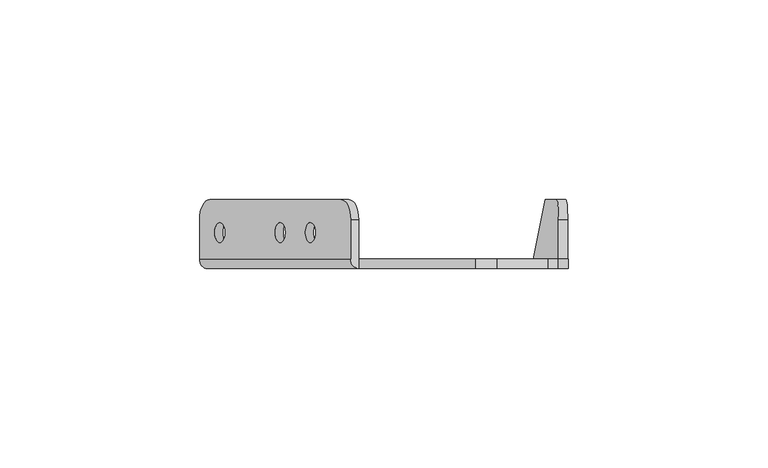
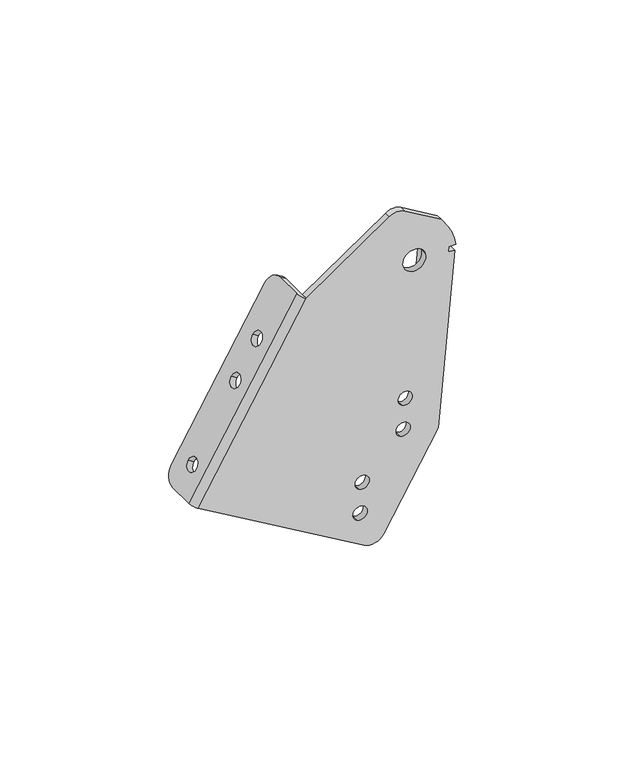
"""IFC4 building model written with IfcOpenShell, lengths in millimetres: proxy geometry."""

from ifc_helpers import new_model, si_unit, frame, origin, place, context, project, spatial, polyline, circle_curve, source, transform, mapped, element, save
from ifc_brep_helpers import plane_surface, cylinder_surface, revolved_surface, advanced_brep


def mechanical_equipment_c26be3b7(model_context):
    return source(origin(), model_context, "Body", "AdvancedBrep", [
        advanced_brep(
        [(-98.5404797, 11.2499985, -88.1254295), (-96.0178415, 16.2499985, -83.8084518), (-63.223546, 16.2499985, -27.687741), (-60.7009079, 11.2499985, -23.3707632), (-60.7009079, 1.2499985, -23.3707632), (-98.5404797, 1.2499985, -88.1254295), (-93.4952034, 10.4499985, -79.491474), (-93.4952034, 5.4499985, -79.491474), (-78.3593747, 10.4499985, -53.5896075), (-78.3593747, 5.4499985, -53.5896075), (-70.7914603, 10.4499985, -40.6386743), (-70.7914603, 5.4499985, -40.6386743), (-62.6867176, 11.2499985, -22.2103497), (-65.2093558, 16.2499985, -26.5273275), (-98.0036513, 16.2499985, -82.6480382), (-100.5262894, 11.2499985, -86.965016), (-100.5262894, 1.2499985, -86.965016), (-62.6867176, 1.2499985, -22.2103497), (-95.4810132, 10.4499985, -78.3310605), (-95.4810132, 5.4499985, -78.3310605), (-80.3451845, 10.4499985, -52.429194), (-80.3451845, 5.4499985, -52.429194), (-72.7772701, 10.4499985, -39.4782607), (-72.7772701, 5.4499985, -39.4782607), (-26.0461963, -1.0500015, -3.0837225), (-31.3964034, -1.0500015, -3.2770061), (-60.7009079, -1.0500015, -23.3707632), (-98.5404797, -1.0500015, -88.1254295), (-40.26128, -1.0500015, -122.1810441), (-33.4216641, -1.0500015, -120.3867045), (-14.2643461, -1.0500015, -87.6028839), (-8.3437619, -1.0500015, -23.7809233), (-10.6339287, -1.0500015, -23.568471), (-10.4667409, -1.0500015, -21.7662419), (-8.1445975, -1.0500015, -21.633997), (-10.7000525, -1.0500015, -14.2038754), (-13.2035579, -1.0500015, -10.5883544), (-18.7520701, -1.0500015, -21.4433967), (-26.4902121, -1.0500015, -23.4734603), (-42.9527894, -1.0500015, -111.9216203), (-40.4301513, -1.0500015, -107.6046426), (-42.224491, -1.0500015, -100.7650267), (-39.7018528, -1.0500015, -96.448049), (-27.8169607, -1.0500015, -86.0197538), (-25.2943226, -1.0500015, -81.7027761), (-27.0886622, -1.0500015, -74.8631602), (-24.5660241, -1.0500015, -70.5461824), (-40.26128, 1.2499985, -122.1810441), (-26.0461963, 1.2499985, -3.0837225), (-13.2035579, 1.2499985, -10.5883544), (-10.7000525, 1.2499985, -14.2038754), (-8.1445975, 1.2499985, -21.633997), (-10.4667409, 1.2499985, -21.7662419), (-10.6339287, 1.2499985, -23.568471), (-16.9599356, 1.2499985, -91.7607555), (-17.0101185, 1.2499985, -92.3017101), (-33.4216641, 1.2499985, -120.3867045), (-31.3964034, 1.2499985, -3.2770061), (-18.7520701, 1.2499985, -21.4433967), (-26.4902121, 1.2499985, -23.4734603), (-42.9527894, 1.2499985, -111.9216203), (-40.4301513, 1.2499985, -107.6046426), (-42.224491, 1.2499985, -100.7650267), (-39.7018528, 1.2499985, -96.448049), (-27.8169607, 1.2499985, -86.0197538), (-25.2943226, 1.2499985, -81.7027761), (-27.0886622, 1.2499985, -74.8631602), (-24.5660241, 1.2499985, -70.5461824), (-17.0101185, 0.9966641, -92.3017101), (-14.2643461, 3.2966641, -87.6028839), (-11.6984284, 16.2499985, -59.9431302), (-8.8056148, 16.2499985, -28.7595468), (-8.3437619, 11.2499985, -23.7809233), (-10.6339287, 11.2499985, -23.568471), (-11.0957816, 16.2499985, -28.5470944), (-13.9885952, 16.2499985, -59.7306779)],
        [
            (0, 1, circle_curve(frame((-96.0178415, 11.2499985, -83.8084518), z_axis=(0.8633955506067713, 0.0, -0.5045276238150199), x_axis=(0.0, -1.0, 0.0)), 5.0)),
            (1, 2),
            (2, 3, circle_curve(frame((-63.223546, 11.2499985, -27.687741), z_axis=(0.8633955506067713, 0.0, -0.5045276238150199), x_axis=(0.0, -1.0, 0.0)), 5.0)),
            (3, 4),
            (4, 5),
            (5, 0),
            (6, 7, circle_curve(frame((-93.4952034, 7.9499985, -79.491474), z_axis=(-0.8633955506067713, 0.0, 0.5045276238150199), x_axis=(0.0, -1.0, 0.0)), 2.5)),
            (7, 6, circle_curve(frame((-93.4952034, 7.9499985, -79.491474), z_axis=(-0.8633955506067713, 0.0, 0.5045276238150199), x_axis=(0.0, -1.0, 0.0)), 2.5)),
            (8, 9, circle_curve(frame((-78.3593747, 7.9499985, -53.5896075), z_axis=(-0.8633955506067713, 0.0, 0.5045276238150199), x_axis=(0.0, -1.0, 0.0)), 2.5)),
            (9, 8, circle_curve(frame((-78.3593747, 7.9499985, -53.5896075), z_axis=(-0.8633955506067713, 0.0, 0.5045276238150199), x_axis=(0.0, -1.0, 0.0)), 2.5)),
            (10, 11, circle_curve(frame((-70.7914603, 7.9499985, -40.6386743), z_axis=(-0.8633955506067713, 0.0, 0.5045276238150199), x_axis=(0.0, -1.0, 0.0)), 2.5)),
            (11, 10, circle_curve(frame((-70.7914603, 7.9499985, -40.6386743), z_axis=(-0.8633955506067713, 0.0, 0.5045276238150199), x_axis=(0.0, -1.0, 0.0)), 2.5)),
            (12, 13, circle_curve(frame((-65.2093558, 11.2499985, -26.5273275), z_axis=(-0.8633955506067713, 0.0, 0.5045276238150199), x_axis=(0.0, -1.0, 0.0)), 5.0)),
            (13, 14),
            (14, 15, circle_curve(frame((-98.0036513, 11.2499985, -82.6480382), z_axis=(-0.8633955506067713, 0.0, 0.5045276238150199), x_axis=(0.0, -1.0, 0.0)), 5.0)),
            (15, 16),
            (16, 17),
            (17, 12),
            (18, 19, circle_curve(frame((-95.4810132, 7.9499985, -78.3310605), z_axis=(0.8633955506067713, 0.0, -0.5045276238150199), x_axis=(0.0, -1.0, 0.0)), 2.5)),
            (19, 18, circle_curve(frame((-95.4810132, 7.9499985, -78.3310605), z_axis=(0.8633955506067713, 0.0, -0.5045276238150199), x_axis=(0.0, -1.0, 0.0)), 2.5)),
            (20, 21, circle_curve(frame((-80.3451845, 7.9499985, -52.429194), z_axis=(0.8633955506067713, 0.0, -0.5045276238150199), x_axis=(0.0, -1.0, 0.0)), 2.5)),
            (21, 20, circle_curve(frame((-80.3451845, 7.9499985, -52.429194), z_axis=(0.8633955506067713, 0.0, -0.5045276238150199), x_axis=(0.0, -1.0, 0.0)), 2.5)),
            (22, 23, circle_curve(frame((-72.7772701, 7.9499985, -39.4782607), z_axis=(0.8633955506067713, 0.0, -0.5045276238150199), x_axis=(0.0, -1.0, 0.0)), 2.5)),
            (23, 22, circle_curve(frame((-72.7772701, 7.9499985, -39.4782607), z_axis=(0.8633955506067713, 0.0, -0.5045276238150199), x_axis=(0.0, -1.0, 0.0)), 2.5)),
            (24, 25, circle_curve(frame((-28.5688344, -1.0500015, -7.4007002), z_axis=(0.0, -1.0, 0.0), x_axis=(0.5045276238150216, 0.0, 0.8633955506067703)), 5.0)),
            (25, 26),
            (26, 27),
            (27, 28),
            (28, 29, circle_curve(frame((-37.7386419, -1.0500015, -117.8640664), z_axis=(0.0, -1.0, 0.0), x_axis=(0.5045276238150216, 0.0, 0.8633955506067703)), 5.0)),
            (29, 30),
            (30, 31),
            (31, 32),
            (32, 33),
            (33, 34),
            (34, 35, circle_curve(frame((-22.6211411, -1.0500015, -22.4584285), z_axis=(0.0, -1.0, 0.0), x_axis=(0.9672677527758777, 0.0, 0.2537579445848028)), 14.5)),
            (35, 36),
            (36, 24),
            (37, 38, circle_curve(frame((-22.6211411, -1.0500015, -22.4584285), z_axis=(0.0, 1.0, 0.0), x_axis=(0.9672677527758777, 0.0, 0.2537579445848028)), 4.0)),
            (38, 37, circle_curve(frame((-22.6211411, -1.0500015, -22.4584285), z_axis=(0.0, 1.0, 0.0), x_axis=(0.9672677527758777, 0.0, 0.2537579445848028)), 4.0)),
            (39, 40, circle_curve(frame((-41.6914704, -1.0500015, -109.7631315), z_axis=(0.0, 1.0, 0.0), x_axis=(0.5045276238150216, 0.0, 0.8633955506067703)), 2.5)),
            (40, 39, circle_curve(frame((-41.6914704, -1.0500015, -109.7631315), z_axis=(0.0, 1.0, 0.0), x_axis=(0.5045276238150216, 0.0, 0.8633955506067703)), 2.5)),
            (41, 42, circle_curve(frame((-40.9631719, -1.0500015, -98.6065378), z_axis=(0.0, 1.0, 0.0), x_axis=(0.5045276238150216, 0.0, 0.8633955506067703)), 2.5)),
            (42, 41, circle_curve(frame((-40.9631719, -1.0500015, -98.6065378), z_axis=(0.0, 1.0, 0.0), x_axis=(0.5045276238150216, 0.0, 0.8633955506067703)), 2.5)),
            (43, 44, circle_curve(frame((-26.5556417, -1.0500015, -83.8612649), z_axis=(0.0, 1.0, 0.0), x_axis=(0.5045276238150216, 0.0, 0.8633955506067703)), 2.5)),
            (44, 43, circle_curve(frame((-26.5556417, -1.0500015, -83.8612649), z_axis=(0.0, 1.0, 0.0), x_axis=(0.5045276238150216, 0.0, 0.8633955506067703)), 2.5)),
            (45, 46, circle_curve(frame((-25.8273432, -1.0500015, -72.7046713), z_axis=(0.0, 1.0, 0.0), x_axis=(0.5045276238150216, 0.0, 0.8633955506067703)), 2.5)),
            (46, 45, circle_curve(frame((-25.8273432, -1.0500015, -72.7046713), z_axis=(0.0, 1.0, 0.0), x_axis=(0.5045276238150216, 0.0, 0.8633955506067703)), 2.5)),
            (15, 0),
            (5, 47),
            (47, 28),
            (27, 16, circle_curve(frame((-98.5404797, 1.2499985, -88.1254295), z_axis=(-0.5045276238150199, 0.0, -0.8633955506067713), x_axis=(0.8633955506067713, 0.0, -0.5045276238150199)), 2.3)),
            (14, 1),
            (13, 2),
            (12, 3),
            (17, 26, circle_curve(frame((-60.7009079, 1.2499985, -23.3707632), z_axis=(0.5045276238150199, 0.0, 0.8633955506067713), x_axis=(0.8633955506067713, 0.0, -0.5045276238150199)), 2.3)),
            (26, 4),
            (6, 18),
            (19, 7),
            (8, 20),
            (21, 9),
            (10, 22),
            (23, 11),
            (48, 49),
            (49, 50),
            (50, 51, circle_curve(frame((-22.6211411, 1.2499985, -22.4584285), z_axis=(0.0, 1.0, 0.0), x_axis=(0.9672677527758777, 0.0, 0.2537579445848028)), 14.5)),
            (51, 52),
            (52, 53),
            (53, 54),
            (54, 55),
            (55, 56),
            (56, 47, circle_curve(frame((-37.7386419, 1.2499985, -117.8640664), z_axis=(0.0, 1.0, 0.0), x_axis=(0.5045276238150216, 0.0, 0.8633955506067703)), 5.0)),
            (4, 57),
            (57, 48, circle_curve(frame((-28.5688344, 1.2499985, -7.4007002), z_axis=(0.0, 1.0, 0.0), x_axis=(0.5045276238150216, 0.0, 0.8633955506067703)), 5.0)),
            (58, 59, circle_curve(frame((-22.6211411, 1.2499985, -22.4584285), z_axis=(0.0, -1.0, 0.0), x_axis=(0.9672677527758777, 0.0, 0.2537579445848028)), 4.0)),
            (59, 58, circle_curve(frame((-22.6211411, 1.2499985, -22.4584285), z_axis=(0.0, -1.0, 0.0), x_axis=(0.9672677527758777, 0.0, 0.2537579445848028)), 4.0)),
            (60, 61, circle_curve(frame((-41.6914704, 1.2499985, -109.7631315), z_axis=(0.0, -1.0, 0.0), x_axis=(0.5045276238150216, 0.0, 0.8633955506067703)), 2.5)),
            (61, 60, circle_curve(frame((-41.6914704, 1.2499985, -109.7631315), z_axis=(0.0, -1.0, 0.0), x_axis=(0.5045276238150216, 0.0, 0.8633955506067703)), 2.5)),
            (62, 63, circle_curve(frame((-40.9631719, 1.2499985, -98.6065378), z_axis=(0.0, -1.0, 0.0), x_axis=(0.5045276238150216, 0.0, 0.8633955506067703)), 2.5)),
            (63, 62, circle_curve(frame((-40.9631719, 1.2499985, -98.6065378), z_axis=(0.0, -1.0, 0.0), x_axis=(0.5045276238150216, 0.0, 0.8633955506067703)), 2.5)),
            (64, 65, circle_curve(frame((-26.5556417, 1.2499985, -83.8612649), z_axis=(0.0, -1.0, 0.0), x_axis=(0.5045276238150216, 0.0, 0.8633955506067703)), 2.5)),
            (65, 64, circle_curve(frame((-26.5556417, 1.2499985, -83.8612649), z_axis=(0.0, -1.0, 0.0), x_axis=(0.5045276238150216, 0.0, 0.8633955506067703)), 2.5)),
            (66, 67, circle_curve(frame((-25.8273432, 1.2499985, -72.7046713), z_axis=(0.0, -1.0, 0.0), x_axis=(0.5045276238150216, 0.0, 0.8633955506067703)), 2.5)),
            (67, 66, circle_curve(frame((-25.8273432, 1.2499985, -72.7046713), z_axis=(0.0, -1.0, 0.0), x_axis=(0.5045276238150216, 0.0, 0.8633955506067703)), 2.5)),
            (37, 58),
            (59, 38),
            (24, 48),
            (57, 25),
            (56, 29),
            (55, 68),
            (68, 69),
            (69, 30),
            (33, 52),
            (51, 34),
            (50, 35),
            (49, 36),
            (39, 60),
            (61, 40),
            (41, 62),
            (63, 42),
            (43, 64),
            (65, 44),
            (45, 66),
            (67, 46),
            (54, 68),
            (32, 53),
            (70, 71),
            (71, 72, circle_curve(frame((-8.8056148, 11.2499985, -28.7595468), z_axis=(0.9957246981845822, 0.0, -0.09237058744656096), x_axis=(-0.03903749710276025, 0.9063077870360066, -0.42081144112042457)), 5.0)),
            (72, 31),
            (69, 70),
            (73, 74, circle_curve(frame((-11.0957816, 11.2499985, -28.5470944), z_axis=(-0.9957246981845822, 0.0, 0.09237058744656096), x_axis=(-0.03903749710276025, 0.9063077870360066, -0.42081144112042457)), 5.0)),
            (74, 75),
            (75, 54),
            (53, 73),
            (75, 70),
            (74, 71),
            (73, 72),
        ],
        [
            plane_surface(frame((-43.042441, -1.0500015, 6.848081), z_axis=(0.8633955506067713, 0.0, -0.5045276238150199), x_axis=(-0.5045276238150199, 0.0, -0.8633955506067713))),
            plane_surface(frame((-45.0282508, -1.0500015, 8.0084946), z_axis=(-0.8633955506067713, 0.0, 0.5045276238150199), x_axis=(0.5045276238150199, 0.0, 0.8633955506067713))),
            plane_surface(frame((-60.7009079, -1.0500015, -23.3707632), z_axis=(0.0, -1.0, 0.0), x_axis=(-0.8633955506067713, 0.0, 0.5045276238150199))),
            plane_surface(frame((-98.5404797, -1.0500015, -88.1254295), z_axis=(-0.5045276238150199, 0.0, -0.8633955506067713), x_axis=(-0.8633955506067713, 0.0, 0.5045276238150199))),
            cylinder_surface(frame((-98.0036513, 11.2499985, -82.6480382), z_axis=(0.8633955506067713, 0.0, -0.5045276238150199), x_axis=(0.0, -1.0, 0.0)), 5.0),
            plane_surface(frame((-96.0178415, 16.2499985, -83.8084518), z_axis=(0.0, 1.0, 0.0), x_axis=(-0.8633955506067713, 0.0, 0.5045276238150199))),
            cylinder_surface(frame((-65.2093558, 11.2499985, -26.5273275), z_axis=(0.8633955506067713, 0.0, -0.5045276238150199), x_axis=(0.0, -1.0, 0.0)), 5.0),
            plane_surface(frame((-60.7009079, 11.2499985, -23.3707632), z_axis=(0.5045276238150199, 0.0, 0.8633955506067713), x_axis=(-0.8633955506067713, 0.0, 0.5045276238150199))),
            revolved_surface(polyline([(-95.48101318628497, 5.4499985, -78.33106047652953), (-93.49520340998694, 5.4499985, -79.49147401709061)]), (-65.434848, 7.9499985, -95.8886218), (-0.8633955506067713, 0.0, 0.5045276238150199)),
            revolved_surface(polyline([(-80.34518448628496, 5.4499985, -52.42919397652953), (-78.35937470998695, 5.4499985, -53.589607517090606)]), (-50.2990193, 7.9499985, -69.9867553), (-0.8633955506067713, 0.0, 0.5045276238150199)),
            revolved_surface(polyline([(-72.77727011173978, 5.4499985, -39.47826072009023), (-70.79146029188107, 5.4499985, -40.63867428610612)]), (-42.731105, 7.9499985, -57.035822), (-0.8633955506067713, 0.0, 0.5045276238150199)),
            plane_surface(frame((-18.7520701, 1.2499985, -21.4433967), z_axis=(0.0, 1.0000000000000002, 0.0), x_axis=(-0.2537579445848028, 0.0, 0.9672677527758776))),
            revolved_surface(polyline([(-18.752070088896488, 1.2499985, -21.44339672166079), (-18.752070088896488, -1.0500014999999998, -21.44339672166079)]), (-22.6211411, 1.2499985, -22.4584285), (0.0, 1.0, 0.0)),
            cylinder_surface(frame((-28.5688344, 1.2499985, -7.4007002), z_axis=(0.0, -1.0, 0.0), x_axis=(0.5045276238150216, 0.0, 0.8633955506067703)), 5.0),
            cylinder_surface(frame((-37.7386419, 1.2499985, -117.8640664), z_axis=(0.0, -1.0, 0.0), x_axis=(0.5045276238150216, 0.0, 0.8633955506067703)), 5.0),
            plane_surface(frame((-33.4216641, -1.0500015, -120.3867045), z_axis=(0.8633955506067633, 0.0, -0.5045276238150336), x_axis=(0.0, 1.0, 0.0))),
            plane_surface(frame((-10.4667409, -1.0500015, -21.7662419), z_axis=(0.056857342624427154, 0.0, -0.9983823128389688), x_axis=(0.0, 1.0, 0.0))),
            cylinder_surface(frame((-22.6211411, 1.2499985, -22.4584285), z_axis=(0.0, -1.0, 0.0), x_axis=(0.9672677527758777, 0.0, 0.2537579445848028)), 14.5),
            plane_surface(frame((-10.7000525, -1.0500015, -14.2038754), z_axis=(0.8221440410308071, 0.0, 0.569279523430744), x_axis=(0.0, 1.0, 0.0))),
            plane_surface(frame((-13.2035579, -1.0500015, -10.5883544), z_axis=(0.5045276238150175, 0.0, 0.8633955506067728), x_axis=(0.0, 1.0, 0.0))),
            revolved_surface(polyline([(-40.430151340462444, 1.2499985, -107.60464262348307), (-40.430151340462444, -1.0500014999999998, -107.60464262348307)]), (-41.6914704, 1.2499985, -109.7631315), (0.0, 1.0, 0.0)),
            revolved_surface(polyline([(-39.70185284046244, 1.2499985, -96.44804892348307), (-39.70185284046244, -1.0500014999999998, -96.44804892348307)]), (-40.9631719, 1.2499985, -98.6065378), (0.0, 1.0, 0.0)),
            revolved_surface(polyline([(-25.294322640462447, 1.2499985, -81.70277602348307), (-25.294322640462447, -1.0500014999999998, -81.70277602348307)]), (-26.5556417, 1.2499985, -83.8612649), (0.0, 1.0, 0.0)),
            revolved_surface(polyline([(-24.566024140462446, 1.2499985, -70.54618242348307), (-24.566024140462446, -1.0500014999999998, -70.54618242348307)]), (-25.8273432, 1.2499985, -72.7046713), (0.0, 1.0, 0.0)),
            plane_surface(frame((-17.0101185, -1.0500015, -92.3017101), z_axis=(0.9957246981845822, 0.0, -0.09237058744656107), x_axis=(0.0, 1.0, 0.0))),
            plane_surface(frame((-31.3964034, -1.0500015, -3.2770061), z_axis=(-0.5655138037510832, 0.0, 0.8247388300346852), x_axis=(0.0, 1.0, 0.0))),
            plane_surface(frame((-14.6697688, -1.0500015, -91.9732078), z_axis=(0.9957246981845822, 0.0, -0.0923705874465609), x_axis=(-0.0923705874465609, 0.0, -0.9957246981845822))),
            plane_surface(frame((-16.9599356, -1.0500015, -91.7607555), z_axis=(-0.9957246981845822, 0.0, 0.0923705874465609), x_axis=(0.0923705874465609, 0.0, 0.9957246981845822))),
            plane_surface(frame((-15.1253744, -1.0500015, -96.8844864), z_axis=(-0.03903749710275976, 0.9063077870360067, -0.42081144112042473), x_axis=(-0.9957246981845823, 0.0, 0.09237058744655963))),
            plane_surface(frame((-11.6984284, 16.2499985, -59.9431302), z_axis=(0.0, 1.0, 0.0), x_axis=(-0.9957246981845821, 0.0, 0.09237058744656207))),
            cylinder_surface(frame((-11.0957816, 11.2499985, -28.5470944), z_axis=(0.9957246981845822, 0.0, -0.09237058744656096), x_axis=(-0.03903749710276025, 0.9063077870360066, -0.42081144112042457)), 5.0),
            plane_surface(frame((-8.3437619, 11.2499985, -23.7809233), z_axis=(0.09237058744655963, 1.4450666034502736e-12, 0.9957246981845823), x_axis=(-0.9957246981845823, 0.0, 0.09237058744655963))),
            cylinder_surface(frame((-60.7009079, 1.2499985, -23.3707632), z_axis=(-0.5045276238150199, 0.0, -0.8633955506067713), x_axis=(0.8633955506067713, 0.0, -0.5045276238150199)), 2.3),
        ],
        [
            (0, [[1, 2, 3, 4, 5, 6], [7, 8], [9, 10], [11, 12]]),
            (1, [[13, 14, 15, 16, 17, 18], [19, 20], [21, 22], [23, 24]]),
            (2, [[25, 26, 27, 28, 29, 30, 31, 32, 33, 34, 35, 36, 37], [38, 39], [40, 41], [42, 43], [44, 45], [46, 47]]),
            (3, [[48, -6, 49, 50, -28, 51, -16]]),
            (4, [[-1, -48, -15, 52]]),
            (5, [[-2, -52, -14, 53]]),
            (6, [[-3, -53, -13, 54]]),
            (7, [[-54, -18, 55, 56, -4]]),
            (8, [[-7, 57, -20, 58]]),
            (8, [[-8, -58, -19, -57]]),
            (9, [[-9, 59, -22, 60]]),
            (9, [[-10, -60, -21, -59]]),
            (10, [[-11, 61, -24, 62]]),
            (10, [[-12, -62, -23, -61]]),
            (11, [[63, 64, 65, 66, 67, 68, 69, 70, 71, -49, -5, 72, 73], [74, 75], [76, 77], [78, 79], [80, 81], [82, 83]]),
            (12, [[-38, 84, -75, 85]]),
            (12, [[-39, -85, -74, -84]]),
            (13, [[-25, 86, -73, 87]]),
            (14, [[-29, -50, -71, 88]]),
            (15, [[-30, -88, -70, 89, 90, 91]]),
            (16, [[-34, 92, -66, 93]]),
            (17, [[-35, -93, -65, 94]]),
            (18, [[-36, -94, -64, 95]]),
            (19, [[-37, -95, -63, -86]]),
            (20, [[-40, 96, -77, 97]]),
            (20, [[-41, -97, -76, -96]]),
            (21, [[-42, 98, -79, 99]]),
            (21, [[-43, -99, -78, -98]]),
            (22, [[-44, 100, -81, 101]]),
            (22, [[-45, -101, -80, -100]]),
            (23, [[-46, 102, -83, 103]]),
            (23, [[-47, -103, -82, -102]]),
            (24, [[-69, 104, -89]]),
            (24, [[-92, -33, 105, -67]]),
            (25, [[-26, -87, -72, -56]]),
            (26, [[106, 107, 108, -31, -91, 109]]),
            (27, [[110, 111, 112, -68, 113]]),
            (28, [[114, -109, -90, -104, -112]]),
            (29, [[-106, -114, -111, 115]]),
            (30, [[-107, -115, -110, 116]]),
            (31, [[-108, -116, -113, -105, -32]]),
            (32, [[-17, -51, -27, -55]]),
        ],
    ),
    ])


if __name__ == "__main__":
    model = new_model("IFC4")
    model_context = context("Model", 3, world=origin())
    ifc_project = project(units=[si_unit("LENGTHUNIT", "METRE", prefix="MILLI")], contexts=[model_context])
    site = spatial("IfcSite", under=ifc_project)
    building = spatial("IfcBuilding", under=site)
    placement = place(None, origin())
    mechanical_equipment_shape = mechanical_equipment_c26be3b7(model_context)
    element("IfcBuildingElementProxy", 1, Name="Mechanical Equipment", at=placement, inside=building, context=model_context, shape_type="MappedRepresentation", body=[
        mapped(mechanical_equipment_shape, transform((0.0, 0.0, 0.0), x_axis=(1.0, 0.0, 0.0), y_axis=(0.0, 1.0, 0.0), z_axis=(0.0, 0.0, 1.0))),
    ])
    save(model, "model.ifc")
